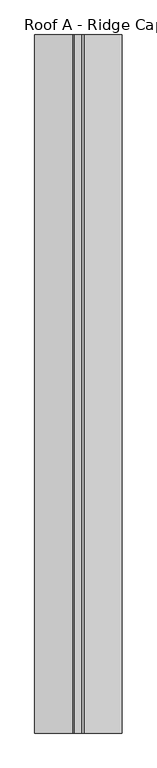
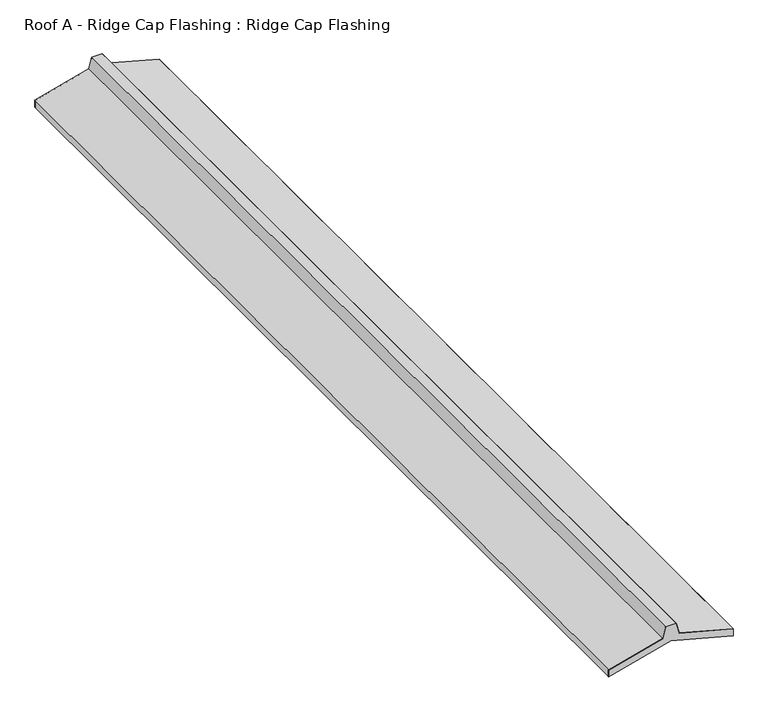
"""IFC4 building model written with IfcOpenShell, lengths in millimetres: proxy geometry, Roof A - Ridge Cap Flashing : Ridge Cap Flashing."""

from ifc_helpers import new_model, si_unit, frame, origin, place, context, project, spatial, polyline, outline, extrude, source, transform, mapped, element, save


def roof_a_ridge_cap_flashing_ridge_cap_flashing_e37a37da(model_context):
    return source(origin(), model_context, "Body", "SweptSolid", [
        extrude(outline(polyline([(6198.9102496, 3175.4070919), (6161.043288, 3175.4070919), (6248.0176956, 3500.0), (6161.043288, 3824.5929081), (6198.9102496, 3824.5929081), (6274.4116755, 3542.8177506), (6333.0731192, 3527.0994641), (6333.0731192, 3472.9005359), (6274.4116755, 3457.1822494), (6198.9102496, 3175.4070919)])), frame((0.0, 5013.8181024, 0.0), z_axis=(0.0, 1.0, 0.0), x_axis=(0.0, 0.0, 1.0)), (0.0, 0.0, 1.0), 2.3668779),
        extrude(outline(polyline([(6198.9102496, 3175.4070919), (6161.043288, 3175.4070919), (6248.0176956, 3500.0), (6161.043288, 3824.5929081), (6198.9102496, 3824.5929081), (6274.4116755, 3542.8177506), (6333.0461554, 3527.106689), (6333.0461554, 3472.893311), (6274.4116755, 3457.1822494), (6198.9102496, 3175.4070919)])), frame((0.0, -170.0, 0.0), z_axis=(0.0, 1.0, 0.0), x_axis=(0.0, 0.0, 1.0)), (0.0, 0.0, 1.0), 2.0),
        extrude(outline(polyline([(6334.0461554, 3527.874016), (6334.0461554, 3472.125984), (6275.2281721, 3456.3657529), (6199.9455258, 3175.4070919), (6161.043288, 3175.4070919), (6161.043288, 3176.4070919), (6199.1781988, 3176.4070919), (6274.4116755, 3457.1822494), (6333.0461554, 3472.893311), (6333.0461554, 3527.106689), (6274.4116755, 3542.8177506), (6199.1781988, 3823.5929081), (6161.043288, 3823.5929081), (6161.043288, 3824.5929081), (6199.9455258, 3824.5929081), (6275.2281721, 3543.6342471), (6334.0461554, 3527.874016)])), frame((0.0, -170.0, 0.0), z_axis=(0.0, 1.0, 0.0), x_axis=(0.0, 0.0, 1.0)), (0.0, 0.0, 1.0), 5186.1385502),
    ])


if __name__ == "__main__":
    model = new_model("IFC4")
    model_context = context("Model", 3, world=origin())
    ifc_project = project(units=[si_unit("LENGTHUNIT", "METRE", prefix="MILLI")], contexts=[model_context])
    site = spatial("IfcSite", under=ifc_project)
    building = spatial("IfcBuilding", under=site)
    placement = place(None, origin())
    roof_a_ridge_cap_flashing_ridge_cap_flashing_shape = roof_a_ridge_cap_flashing_ridge_cap_flashing_e37a37da(model_context)
    element("IfcBuildingElementProxy", 1, Name="Roof A - Ridge Cap Flashing : Ridge Cap Flashing", ObjectType="Roof A - Ridge Cap Flashing : Ridge Cap Flashing", at=placement, inside=building, context=model_context, shape_type="MappedRepresentation", body=[
        mapped(roof_a_ridge_cap_flashing_ridge_cap_flashing_shape, transform((0.0, 0.0, 0.0), x_axis=(1.0, 0.0, 0.0), y_axis=(0.0, 1.0, 0.0), z_axis=(0.0, 0.0, 1.0))),
    ])
    save(model, "model.ifc")
